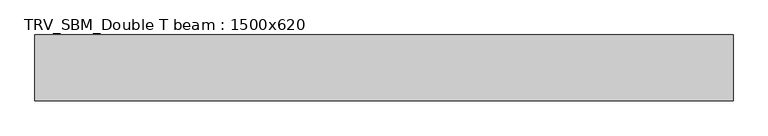
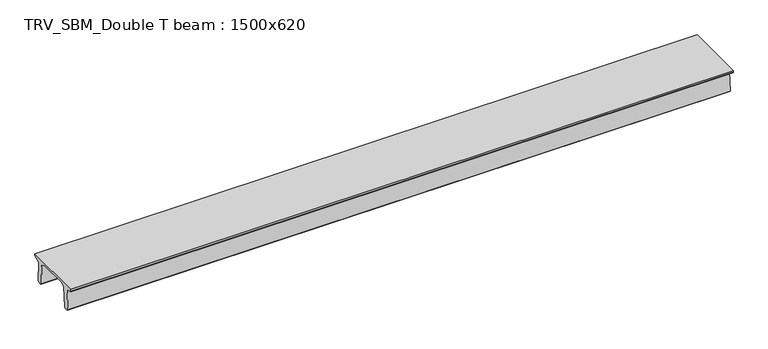
"""IFC4 building model written with IfcOpenShell, lengths in millimetres: beam geometry, TRV_SBM_Double T beam : 1500x620."""

from ifc_helpers import new_model, si_unit, frame, origin, place, context, project, spatial, polyline, outline, extrude, source, transform, mapped, element, save


def trv_sbm_double_t_beam_1500x620_696bd5b6(model_context):
    return source(origin(), model_context, "Body", "SweptSolid", [
        extrude(outline(polyline([(-765.0, 215.0), (-765.0, 260.0), (735.0, 260.0), (735.0, 215.0), (728.2094488, 201.315559), (578.0626443, 140.6523122), (594.8277662, -339.4379646), (574.2657308, -360.0), (484.2657308, -360.0), (464.786332, -340.5206011), (447.8600761, 144.18395), (338.3237744, 210.0), (-367.4555014, 210.0), (-476.5389732, 151.9992892), (-507.0080378, -339.3850967), (-527.622941, -360.0), (-615.122941, -360.0), (-637.1143055, -338.0086356), (-606.1572167, 162.687806), (-761.3068466, 204.260024), (-765.0, 215.0)])), frame((-7961.5, 0.0, 0.0), z_axis=(1.0, 0.0, 0.0), x_axis=(0.0, 1.0, 0.0)), (0.0, 0.0, 1.0), 15923.0),
    ])


if __name__ == "__main__":
    model = new_model("IFC4")
    model_context = context("Model", 3, world=origin())
    ifc_project = project(units=[si_unit("LENGTHUNIT", "METRE", prefix="MILLI")], contexts=[model_context])
    site = spatial("IfcSite", under=ifc_project)
    building = spatial("IfcBuilding", under=site)
    placement = place(None, origin())
    trv_sbm_double_t_beam_1500x620_shape = trv_sbm_double_t_beam_1500x620_696bd5b6(model_context)
    element("IfcBeam", 1, ObjectType="TRV_SBM_Double T beam : 1500x620", at=placement, inside=building, context=model_context, shape_type="MappedRepresentation", body=[
        mapped(trv_sbm_double_t_beam_1500x620_shape, transform((0.0, 0.0, 0.0), x_axis=(1.0, 0.0, 0.0), y_axis=(0.0, 1.0, 0.0), z_axis=(0.0, 0.0, 1.0))),
    ])
    save(model, "model.ifc")
